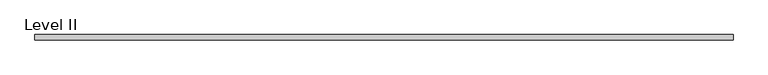
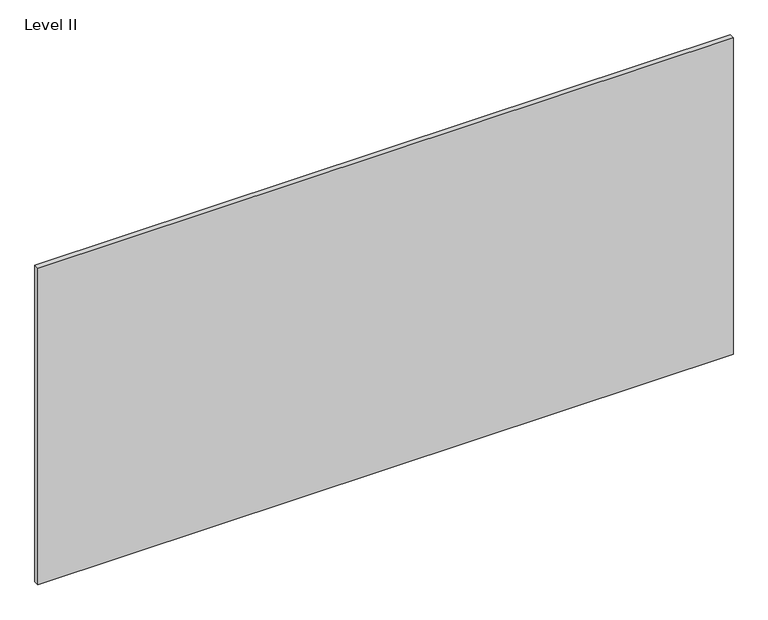
"""IFC4 building model written with IfcOpenShell, lengths in millimetres: proxy geometry, Level II."""

from ifc_helpers import new_model, si_unit, frame, origin, place, context, project, spatial, polyline, outline, extrude, source, transform, mapped, element, save


def level_ii_c1ed75fc(model_context):
    return source(origin(), model_context, "Body", "SweptSolid", [
        extrude(outline(polyline([(1259.8356344, 9.525), (1259.8356344, -9.525), (-1259.8356344, -9.525), (-1259.8356344, 9.525), (1259.8356344, 9.525)])), frame((0.0, 0.0, 3.175), z_axis=(0.0, 0.0, 1.0), x_axis=(1.0, 0.0, 0.0)), (0.0, 0.0, 1.0), 1212.85),
    ])


if __name__ == "__main__":
    model = new_model("IFC4")
    model_context = context("Model", 3, world=origin())
    ifc_project = project(units=[si_unit("LENGTHUNIT", "METRE", prefix="MILLI")], contexts=[model_context])
    site = spatial("IfcSite", under=ifc_project)
    building = spatial("IfcBuilding", under=site)
    placement = place(None, origin())
    level_ii_shape = level_ii_c1ed75fc(model_context)
    element("IfcBuildingElementProxy", 1, Name="Level II", ObjectType="Level II", at=placement, inside=building, context=model_context, shape_type="MappedRepresentation", body=[
        mapped(level_ii_shape, transform((0.0, 0.0, 0.0), x_axis=(1.0, 0.0, 0.0), y_axis=(0.0, 1.0, 0.0), z_axis=(0.0, 0.0, 1.0))),
    ])
    save(model, "model.ifc")
